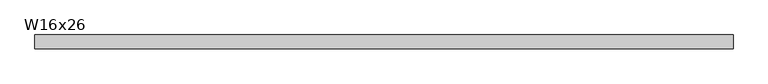
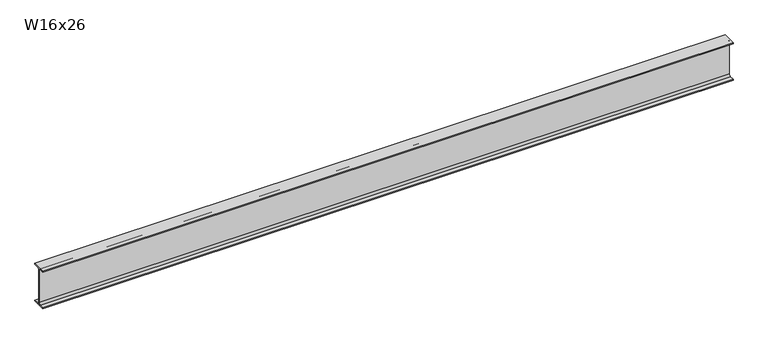
"""IFC4 building model written with IfcOpenShell, lengths in millimetres: beam geometry, W16x26."""

from ifc_helpers import new_model, si_unit, point, frame, frame_2d, origin, place, context, project, spatial, polyline, circle_curve, trimmed, segment, composite_curve, outline, extrude, source, transform, mapped, element, save


def w16x26_82c25f72(model_context):
    return source(origin(), model_context, "Body", "SweptSolid", [
        extrude(outline(composite_curve([segment(polyline([(69.85, -190.627), (69.85, -199.39), (-69.85, -199.39), (-69.85, -190.627), (-21.3995, -190.627)]), True, "CONTINUOUS"), segment(trimmed(circle_curve(frame_2d((-21.3995, -172.4025)), 18.2245), [point((-21.3995, -190.627))], [point((-3.175, -172.4025))], True, "CARTESIAN"), True, "CONTINUOUS"), segment(polyline([(-3.175, -172.4025), (-3.175, 172.4025)]), True, "CONTINUOUS"), segment(trimmed(circle_curve(frame_2d((-21.3995, 172.4025)), 18.2245), [point((-3.175, 172.4025))], [point((-21.3995, 190.627))], True, "CARTESIAN"), True, "CONTINUOUS"), segment(polyline([(-21.3995, 190.627), (-69.85, 190.627), (-69.85, 199.39), (69.85, 199.39), (69.85, 190.627), (21.3995, 190.627)]), True, "CONTINUOUS"), segment(trimmed(circle_curve(frame_2d((21.3995, 172.4025)), 18.2245), [point((21.3995, 190.627))], [point((3.175, 172.4025))], True, "CARTESIAN"), True, "CONTINUOUS"), segment(polyline([(3.175, 172.4025), (3.175, -172.4025)]), True, "CONTINUOUS"), segment(trimmed(circle_curve(frame_2d((21.3995, -172.4025)), 18.2245), [point((3.175, -172.4025))], [point((21.3995, -190.627))], True, "CARTESIAN"), True, "CONTINUOUS"), segment(polyline([(21.3995, -190.627), (69.85, -190.627)]), True, "CONTINUOUS")], self_intersect=False)), frame((-3397.0153485, 0.0, 0.0), z_axis=(1.0, 0.0, 0.0), x_axis=(0.0, 1.0, 0.0)), (0.0, 0.0, 1.0), 6967.4471929),
    ])


if __name__ == "__main__":
    model = new_model("IFC4")
    model_context = context("Model", 3, world=origin())
    ifc_project = project(units=[si_unit("LENGTHUNIT", "METRE", prefix="MILLI")], contexts=[model_context])
    site = spatial("IfcSite", under=ifc_project)
    building = spatial("IfcBuilding", under=site)
    placement = place(None, origin())
    w16x26_shape = w16x26_82c25f72(model_context)
    element("IfcBeam", 1, ObjectType="W16x26", at=placement, inside=building, context=model_context, shape_type="MappedRepresentation", body=[
        mapped(w16x26_shape, transform((0.0, 0.0, 0.0), x_axis=(1.0, 0.0, 0.0), y_axis=(0.0, 1.0, 0.0), z_axis=(0.0, 0.0, 1.0))),
    ])
    save(model, "model.ifc")
